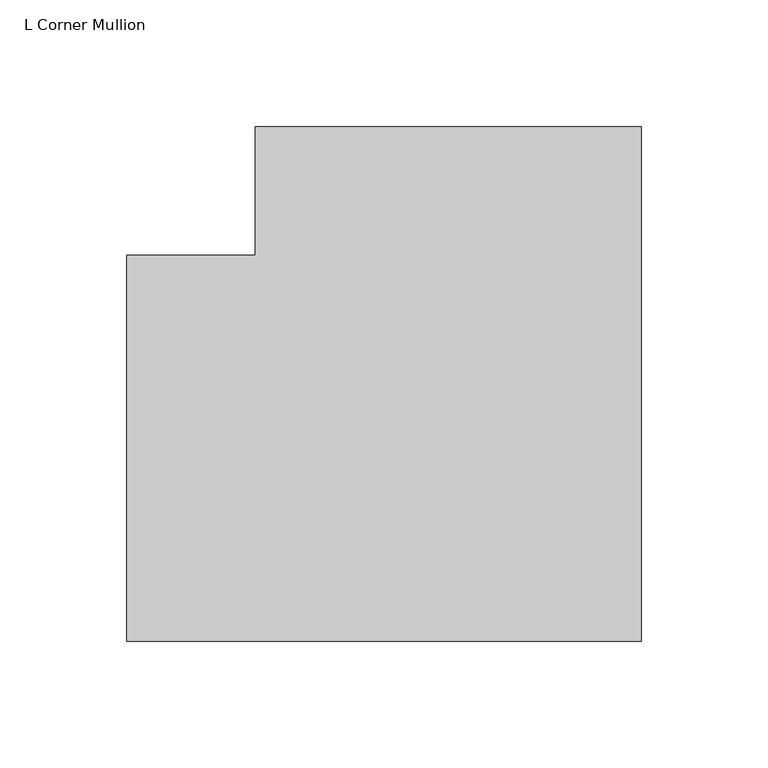
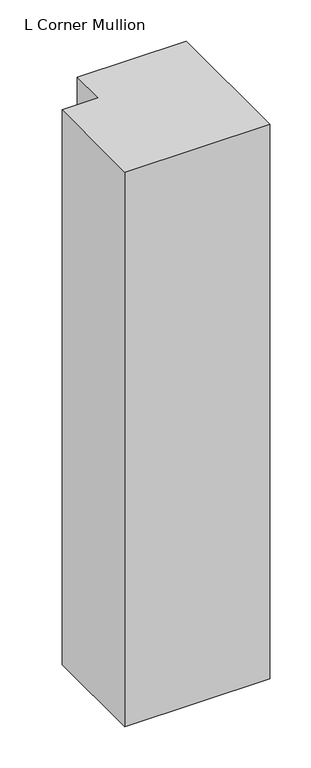
"""IFC4 building model written with IfcOpenShell, lengths in millimetres: member geometry, L Corner Mullion."""

from ifc_helpers import new_model, si_unit, frame, origin, place, context, project, spatial, polyline, outline, extrude, source, transform, mapped, element, save


def l_corner_mullion_24f06152(model_context):
    return source(origin(), model_context, "Body", "SweptSolid", [
        extrude(outline(polyline([(139.7, 63.5), (139.7, -139.7), (-63.5, -139.7), (-63.5, 12.7), (-12.7, 12.7), (-12.7, 63.5), (139.7, 63.5)])), frame((0.0, 0.0, -822.325), z_axis=(0.0, 0.0, 1.0), x_axis=(1.0, 0.0, 0.0)), (0.0, 0.0, 1.0), 822.325),
    ])


if __name__ == "__main__":
    model = new_model("IFC4")
    model_context = context("Model", 3, world=origin())
    ifc_project = project(units=[si_unit("LENGTHUNIT", "METRE", prefix="MILLI")], contexts=[model_context])
    site = spatial("IfcSite", under=ifc_project)
    building = spatial("IfcBuilding", under=site)
    placement = place(None, origin())
    l_corner_mullion_shape = l_corner_mullion_24f06152(model_context)
    element("IfcMember", 1, ObjectType="L Corner Mullion", at=placement, inside=building, context=model_context, shape_type="MappedRepresentation", body=[
        mapped(l_corner_mullion_shape, transform((0.0, 0.0, 0.0), x_axis=(1.0, 0.0, 0.0), y_axis=(0.0, 1.0, 0.0), z_axis=(0.0, 0.0, 1.0))),
    ])
    save(model, "model.ifc")
